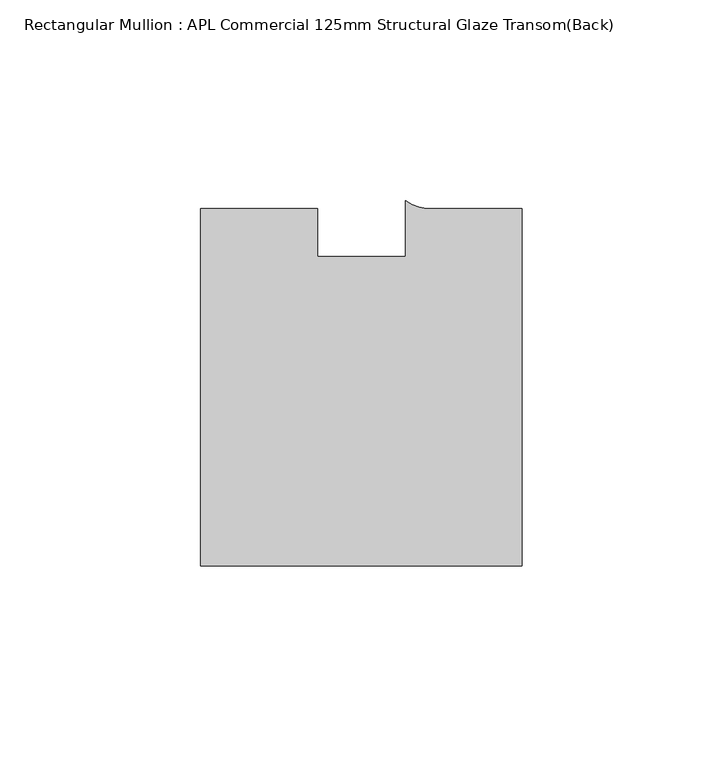
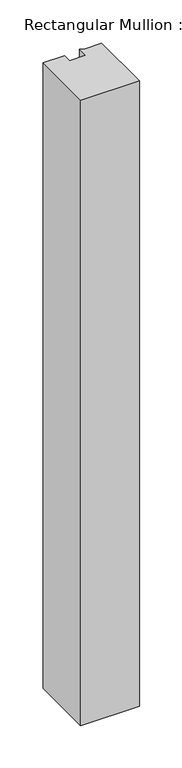
"""IFC4 building model written with IfcOpenShell, lengths in millimetres: member geometry, Rectangular Mullion : APL Commercial 125mm Structural Glaze Transom(Back)."""

from ifc_helpers import new_model, si_unit, point, frame, frame_2d, origin, place, context, project, spatial, polyline, circle_curve, trimmed, segment, composite_curve, outline, extrude, source, transform, mapped, element, save


def rectangular_mullion_apl_commercial_125mm_structural_glaze_0182abc4(model_context):
    return source(origin(), model_context, "Body", "SweptSolid", [
        extrude(outline(composite_curve([segment(polyline([(40.0, -104.0), (-40.0, -104.0), (-40.0, -15.0000829), (-11.0000151, -15.0000829), (-11.0000151, -27.0), (11.0000151, -27.0), (11.0000151, -13.0673455)]), True, "CONTINUOUS"), segment(trimmed(circle_curve(frame_2d((17.1097719, -4.581653)), 10.4563907), [point((11.0000151, -13.0673455))], [point((17.9999542, -15.0000829))], True, "CARTESIAN"), True, "CONTINUOUS"), segment(polyline([(17.9999542, -15.0000829), (40.0, -15.0000829), (40.0, -104.0)]), True, "CONTINUOUS")], self_intersect=False)), frame((0.0, 0.0, -900.2963173), z_axis=(0.0, 0.0, 1.0), x_axis=(1.0, 0.0, 0.0)), (0.0, 0.0, 1.0), 900.2963173),
    ])


if __name__ == "__main__":
    model = new_model("IFC4")
    model_context = context("Model", 3, world=origin())
    ifc_project = project(units=[si_unit("LENGTHUNIT", "METRE", prefix="MILLI")], contexts=[model_context])
    site = spatial("IfcSite", under=ifc_project)
    building = spatial("IfcBuilding", under=site)
    placement = place(None, origin())
    rectangular_mullion_apl_commercial_125mm_structural_glaze_shape = rectangular_mullion_apl_commercial_125mm_structural_glaze_0182abc4(model_context)
    element("IfcMember", 1, ObjectType="Rectangular Mullion : APL Commercial 125mm Structural Glaze Transom(Back)", at=placement, inside=building, context=model_context, shape_type="MappedRepresentation", body=[
        mapped(rectangular_mullion_apl_commercial_125mm_structural_glaze_shape, transform((0.0, 0.0, 0.0), x_axis=(1.0, 0.0, 0.0), y_axis=(0.0, 1.0, 0.0), z_axis=(0.0, 0.0, 1.0))),
    ])
    save(model, "model.ifc")
